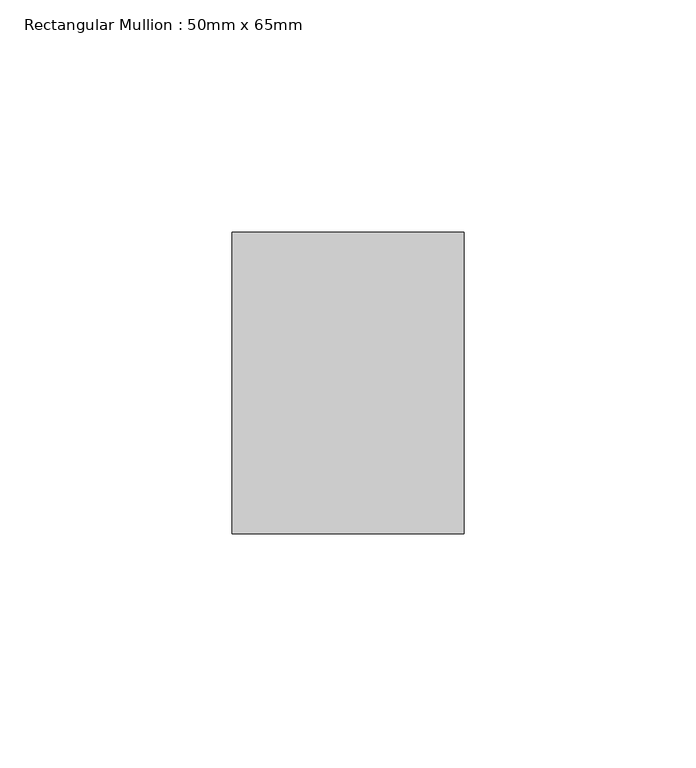
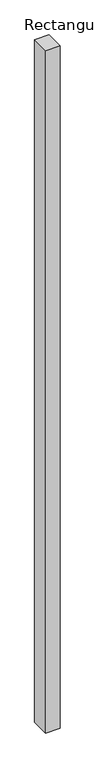
"""IFC4 building model written with IfcOpenShell, lengths in millimetres: member geometry, Rectangular Mullion : 50mm x 65mm."""

from ifc_helpers import new_model, si_unit, frame, origin, place, context, project, spatial, polyline, outline, extrude, source, transform, mapped, element, save


def rectangular_mullion_50mm_x_65mm_4cb7cad4(model_context):
    return source(origin(), model_context, "Body", "SweptSolid", [
        extrude(outline(polyline([(25.0, 32.5), (25.0, -32.5), (-25.0, -32.5), (-25.0, 32.5), (25.0, 32.5)])), frame((0.0, 0.0, -2478.0259122), z_axis=(0.0, 0.0, 1.0), x_axis=(1.0, 0.0, 0.0)), (0.0, 0.0, 1.0), 2478.0259122),
    ])


if __name__ == "__main__":
    model = new_model("IFC4")
    model_context = context("Model", 3, world=origin())
    ifc_project = project(units=[si_unit("LENGTHUNIT", "METRE", prefix="MILLI")], contexts=[model_context])
    site = spatial("IfcSite", under=ifc_project)
    building = spatial("IfcBuilding", under=site)
    placement = place(None, origin())
    rectangular_mullion_50mm_x_65mm_shape = rectangular_mullion_50mm_x_65mm_4cb7cad4(model_context)
    element("IfcMember", 1, ObjectType="Rectangular Mullion : 50mm x 65mm", at=placement, inside=building, context=model_context, shape_type="MappedRepresentation", body=[
        mapped(rectangular_mullion_50mm_x_65mm_shape, transform((0.0, 0.0, 0.0), x_axis=(1.0, 0.0, 0.0), y_axis=(0.0, 1.0, 0.0), z_axis=(0.0, 0.0, 1.0))),
    ])
    save(model, "model.ifc")
